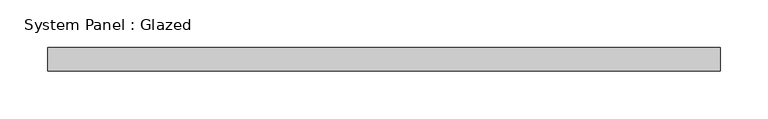
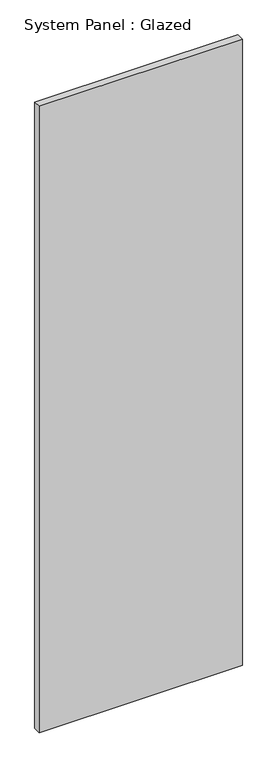
"""IFC4 building model written with IfcOpenShell, lengths in millimetres: plate geometry, System Panel : Glazed."""

from ifc_helpers import new_model, si_unit, origin, origin_with_axes, place, context, project, spatial, polyline, outline, extrude, source, transform, mapped, element, save


def system_panel_glazed_be736605(model_context):
    return source(origin(), model_context, "Body", "SweptSolid", [
        extrude(outline(polyline([(353.2142857, -49.5), (-353.2142857, -49.5), (-353.2142857, -24.5), (353.2142857, -24.5), (353.2142857, -49.5)])), origin_with_axes(), (0.0, 0.0, 1.0), 2300.0),
    ])


if __name__ == "__main__":
    model = new_model("IFC4")
    model_context = context("Model", 3, world=origin())
    ifc_project = project(units=[si_unit("LENGTHUNIT", "METRE", prefix="MILLI")], contexts=[model_context])
    site = spatial("IfcSite", under=ifc_project)
    building = spatial("IfcBuilding", under=site)
    placement = place(None, origin())
    system_panel_glazed_shape = system_panel_glazed_be736605(model_context)
    element("IfcPlate", 1, ObjectType="System Panel : Glazed", at=placement, inside=building, context=model_context, shape_type="MappedRepresentation", body=[
        mapped(system_panel_glazed_shape, transform((0.0, 0.0, 0.0), x_axis=(1.0, 0.0, 0.0), y_axis=(0.0, 1.0, 0.0), z_axis=(0.0, 0.0, 1.0))),
    ])
    save(model, "model.ifc")
